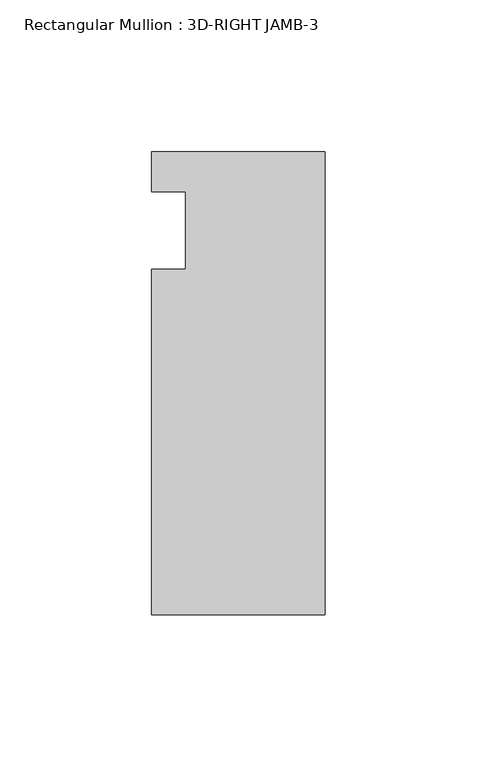
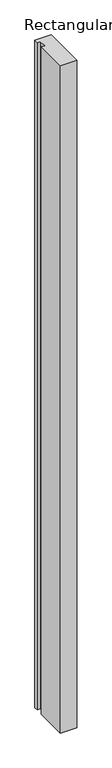
"""IFC4 building model written with IfcOpenShell, lengths in millimetres: member geometry, Rectangular Mullion : 3D-RIGHT JAMB-3."""

from ifc_helpers import new_model, si_unit, frame, origin, place, context, project, spatial, polyline, outline, extrude, source, transform, mapped, element, save


def rectangular_mullion_3d_right_jamb_3_0ac9a286(model_context):
    return source(origin(), model_context, "Body", "SweptSolid", [
        extrude(outline(polyline([(-57.15, 7.14375), (0.0, 7.14375), (0.0, -145.25625), (-57.15, -145.25625), (-57.15, -31.45155), (-46.0375, -31.45155), (-46.0375, -6.05155), (-57.15, -6.05155), (-57.15, 7.14375)])), frame((0.0, 0.0, -2438.4), z_axis=(0.0, 0.0, 1.0), x_axis=(1.0, 0.0, 0.0)), (0.0, 0.0, 1.0), 2438.4),
    ])


if __name__ == "__main__":
    model = new_model("IFC4")
    model_context = context("Model", 3, world=origin())
    ifc_project = project(units=[si_unit("LENGTHUNIT", "METRE", prefix="MILLI")], contexts=[model_context])
    site = spatial("IfcSite", under=ifc_project)
    building = spatial("IfcBuilding", under=site)
    placement = place(None, origin())
    rectangular_mullion_3d_right_jamb_3_shape = rectangular_mullion_3d_right_jamb_3_0ac9a286(model_context)
    element("IfcMember", 1, ObjectType="Rectangular Mullion : 3D-RIGHT JAMB-3", at=placement, inside=building, context=model_context, shape_type="MappedRepresentation", body=[
        mapped(rectangular_mullion_3d_right_jamb_3_shape, transform((0.0, 0.0, 0.0), x_axis=(1.0, 0.0, 0.0), y_axis=(0.0, 1.0, 0.0), z_axis=(0.0, 0.0, 1.0))),
    ])
    save(model, "model.ifc")
